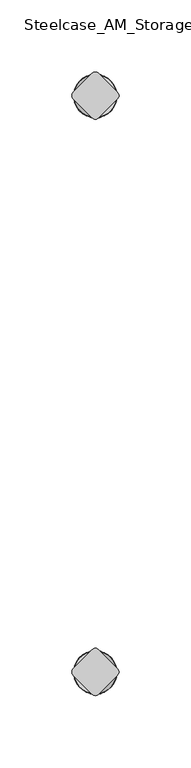
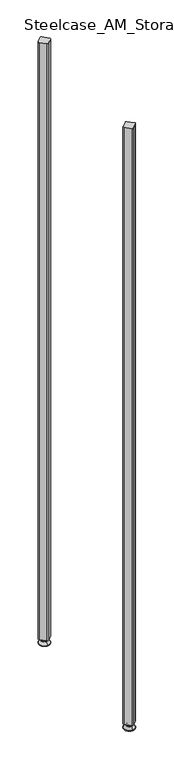
"""IFC4 building model written with IfcOpenShell, lengths in millimetres: furniture geometry, Steelcase_AM_Storage_FlexActiveFrames_FrameExtension : 4 High."""

from ifc_helpers import new_model, si_unit, point, frame, frame_2d, origin, place, context, project, spatial, polyline, circle_curve, ellipse_curve, trimmed, segment, composite_curve, outline, extrude, source, transform, mapped, element, save
from ifc_brep_helpers import plane_surface, cylinder_surface, revolved_surface, advanced_brep


def steelcase_am_storage_flexactiveframes_frameextension_4_high_68627809(model_context):
    return source(origin(), model_context, "Body", "SolidModel", [
        advanced_brep(
        [(800.1, 3.999659, 15.9766), (800.1, -3.999659, 15.9766), (800.1, 0.0, 15.9766), (800.1, 3.999659, 12.6000054), (800.1, -3.999659, 12.6000054), (800.1, 5.8601455, 12.6000054), (800.1, -5.8601455, 12.6000054), (800.1, 6.4951462, 11.9650074), (800.1, -6.4951462, 11.9650074), (800.1, 6.4951462, 9.0000124), (800.1, -6.4951462, 9.0000124), (800.1, 8.7421976, 9.0000124), (800.1, -8.7421976, 9.0000124), (800.1, 14.7060077, 2.3275608), (800.1, -14.7060077, 2.3275608), (800.1, 13.664601, 0.0), (800.1, -13.664601, 0.0), (800.1, 0.0, 0.0)],
        [
            (0, 1, circle_curve(frame((800.1, 0.0, 15.9766), z_axis=(0.0, 0.0, 1.0), x_axis=(0.0, -1.0, 0.0)), 3.999659)),
            (1, 2),
            (2, 0),
            (1, 0, circle_curve(frame((800.1, 0.0, 15.9766), z_axis=(0.0, 0.0, 1.0), x_axis=(0.0, -1.0, 0.0)), 3.999659)),
            (3, 4, circle_curve(frame((800.1, 0.0, 12.6000054), z_axis=(0.0, 0.0, 1.0), x_axis=(0.0, -1.0, 0.0)), 3.999659)),
            (4, 1),
            (0, 3),
            (4, 3, circle_curve(frame((800.1, 0.0, 12.6000054), z_axis=(0.0, 0.0, 1.0), x_axis=(0.0, -1.0, 0.0)), 3.999659)),
            (5, 6, circle_curve(frame((800.1, 0.0, 12.6000054), z_axis=(0.0, 0.0, 1.0), x_axis=(0.0, -1.0, 0.0)), 5.8601455)),
            (6, 4),
            (3, 5),
            (6, 5, circle_curve(frame((800.1, 0.0, 12.6000054), z_axis=(0.0, 0.0, 1.0), x_axis=(0.0, -1.0, 0.0)), 5.8601455)),
            (7, 8, circle_curve(frame((800.1, 0.0, 11.9650074), z_axis=(0.0, 0.0, 1.0), x_axis=(0.0, -1.0, 0.0)), 6.4951462)),
            (8, 6, circle_curve(frame((800.1, -5.8601462, 11.9650074), z_axis=(-1.0, 0.0, 0.0), x_axis=(0.0, -1.0, 0.0)), 0.635)),
            (5, 7, circle_curve(frame((800.1, 5.8601462, 11.9650074), z_axis=(-1.0, 0.0, 0.0), x_axis=(0.0, 1.0, 0.0)), 0.635)),
            (8, 7, circle_curve(frame((800.1, 0.0, 11.9650074), z_axis=(0.0, 0.0, 1.0), x_axis=(0.0, -1.0, 0.0)), 6.4951462)),
            (9, 10, circle_curve(frame((800.1, 0.0, 9.0000124), z_axis=(0.0, 0.0, 1.0), x_axis=(0.0, -1.0, 0.0)), 6.4951462)),
            (10, 8),
            (7, 9),
            (10, 9, circle_curve(frame((800.1, 0.0, 9.0000124), z_axis=(0.0, 0.0, 1.0), x_axis=(0.0, -1.0, 0.0)), 6.4951462)),
            (11, 12, circle_curve(frame((800.1, 0.0, 9.0000124), z_axis=(0.0, 0.0, 1.0), x_axis=(0.0, -1.0, 0.0)), 8.7421976)),
            (12, 10),
            (9, 11),
            (12, 11, circle_curve(frame((800.1, 0.0, 9.0000124), z_axis=(0.0, 0.0, 1.0), x_axis=(0.0, -1.0, 0.0)), 8.7421976)),
            (13, 14, circle_curve(frame((800.1, 0.0, 2.3275608), z_axis=(0.0, 0.0, 1.0), x_axis=(0.0, -1.0, 0.0)), 14.7060077)),
            (14, 12),
            (11, 13),
            (14, 13, circle_curve(frame((800.1, 0.0, 2.3275608), z_axis=(0.0, 0.0, 1.0), x_axis=(0.0, -1.0, 0.0)), 14.7060077)),
            (15, 16, circle_curve(frame((800.1, 0.0, 0.0), z_axis=(0.0, 0.0, 1.0), x_axis=(0.0, -1.0, 0.0)), 13.664601)),
            (16, 14, circle_curve(frame((800.1, -13.664601, 1.3967556), z_axis=(-1.0, 0.0, 0.0), x_axis=(0.0, -1.0, 0.0)), 1.3967556)),
            (13, 15, circle_curve(frame((800.1, 13.664601, 1.3967556), z_axis=(-1.0, 0.0, 0.0), x_axis=(0.0, 1.0, 0.0)), 1.3967556)),
            (16, 15, circle_curve(frame((800.1, 0.0, 0.0), z_axis=(0.0, 0.0, 1.0), x_axis=(0.0, -1.0, 0.0)), 13.664601)),
            (17, 16),
            (15, 17),
        ],
        [
            plane_surface(frame((800.1, 0.0, 15.9766), z_axis=(0.0, 0.0, 1.0), x_axis=(0.0, -1.0, 0.0))),
            cylinder_surface(frame((800.1, 0.0, -4.132372), z_axis=(0.0, 0.0, -1.0), x_axis=(0.0, -1.0, 0.0)), 3.999659),
            plane_surface(frame((800.1, 0.0, 12.6000054), z_axis=(0.0, 0.0, 1.0), x_axis=(0.0, -1.0, 0.0))),
            revolved_surface(trimmed(ellipse_curve(frame((800.1, -5.8601462, 11.9650074), z_axis=(1.0, 0.0, 0.0), x_axis=(0.0, -1.0, 0.0)), 0.635, 0.635), [point((800.1, -5.8601455, 12.6000074))], [point((800.1, -6.4951462, 11.9650074))], True, "CARTESIAN"), (800.1, 0.0, -4.132372), (0.0, 0.0, -1.0)),
            cylinder_surface(frame((800.1, 0.0, -4.132372), z_axis=(0.0, 0.0, -1.0), x_axis=(0.0, -1.0, 0.0)), 6.4951462),
            plane_surface(frame((800.1, 0.0, 9.0000124), z_axis=(0.0, 0.0, 1.0), x_axis=(0.0, -1.0, 0.0))),
            revolved_surface(polyline([(800.1, -8.7421976, 9.0000124), (800.1, -14.7060077, 2.3275608)]), (800.1, 0.0, -4.132372), (0.0, 0.0, -1.0)),
            revolved_surface(trimmed(ellipse_curve(frame((800.1, -13.664601, 1.3967556), z_axis=(1.0, 0.0, 0.0), x_axis=(0.0, -1.0, 0.0)), 1.3967556, 1.3967556), [point((800.1, -14.7060077, 2.3275608))], [point((800.1, -13.664601, 0.0))], True, "CARTESIAN"), (800.1, 0.0, -4.132372), (0.0, 0.0, -1.0)),
            plane_surface(frame((800.1, 0.0, 0.0), z_axis=(0.0, 0.0, -1.0), x_axis=(0.0, -1.0, 0.0))),
        ],
        [
            (0, [[1, 2, 3]]),
            (0, [[4, -3, -2]]),
            (1, [[5, 6, -1, 7]]),
            (1, [[8, -7, -4, -6]]),
            (2, [[9, 10, -5, 11]]),
            (2, [[12, -11, -8, -10]]),
            (3, [[13, 14, -9, 15]]),
            (3, [[16, -15, -12, -14]]),
            (4, [[17, 18, -13, 19]]),
            (4, [[20, -19, -16, -18]]),
            (5, [[21, 22, -17, 23]]),
            (5, [[24, -23, -20, -22]]),
            (6, [[25, 26, -21, 27]]),
            (6, [[28, -27, -24, -26]]),
            (7, [[29, 30, -25, 31]]),
            (7, [[32, -31, -28, -30]]),
            (8, [[33, -29, 34]]),
            (8, [[-34, -32, -33]]),
        ],
    ),
        advanced_brep(
        [(800.1, -400.05, 15.9766), (800.1, -396.050341, 15.9766), (800.1, -404.049659, 15.9766), (800.1, -396.050341, 12.6000054), (800.1, -404.049659, 12.6000054), (800.1, -394.1898545, 12.6000074), (800.1, -405.9101455, 12.6000074), (800.1, -393.5548538, 11.9650074), (800.1, -406.5451462, 11.9650074), (800.1, -393.5548538, 9.0000124), (800.1, -406.5451462, 9.0000124), (800.1, -391.3078024, 9.0000124), (800.1, -408.7921976, 9.0000124), (800.1, -385.3439923, 2.3275608), (800.1, -414.7560077, 2.3275608), (800.1, -386.385399, 0.0), (800.1, -413.714601, 0.0), (800.1, -400.05, 0.0)],
        [
            (0, 1),
            (1, 2, circle_curve(frame((800.1, -400.05, 15.9766), z_axis=(0.0, 0.0, 1.0), x_axis=(0.0, 1.0, 0.0)), 3.999659)),
            (2, 0),
            (2, 1, circle_curve(frame((800.1, -400.05, 15.9766), z_axis=(0.0, 0.0, 1.0), x_axis=(0.0, 1.0, 0.0)), 3.999659)),
            (1, 3),
            (3, 4, circle_curve(frame((800.1, -400.05, 12.6000054), z_axis=(0.0, 0.0, 1.0), x_axis=(0.0, 1.0, 0.0)), 3.999659)),
            (4, 2),
            (4, 3, circle_curve(frame((800.1, -400.05, 12.6000054), z_axis=(0.0, 0.0, 1.0), x_axis=(0.0, 1.0, 0.0)), 3.999659)),
            (3, 5),
            (5, 6, circle_curve(frame((800.1, -400.05, 12.6000074), z_axis=(0.0, 0.0, 1.0), x_axis=(0.0, 1.0, 0.0)), 5.8601455)),
            (6, 4),
            (6, 5, circle_curve(frame((800.1, -400.05, 12.6000074), z_axis=(0.0, 0.0, 1.0), x_axis=(0.0, 1.0, 0.0)), 5.8601455)),
            (5, 7, circle_curve(frame((800.1, -394.1898538, 11.9650074), z_axis=(-1.0, 0.0, 0.0), x_axis=(0.0, 1.0, 0.0)), 0.635)),
            (7, 8, circle_curve(frame((800.1, -400.05, 11.9650074), z_axis=(0.0, 0.0, 1.0), x_axis=(0.0, 1.0, 0.0)), 6.4951462)),
            (8, 6, circle_curve(frame((800.1, -405.9101462, 11.9650074), z_axis=(-1.0, 0.0, 0.0), x_axis=(0.0, -1.0, 0.0)), 0.635)),
            (8, 7, circle_curve(frame((800.1, -400.05, 11.9650074), z_axis=(0.0, 0.0, 1.0), x_axis=(0.0, 1.0, 0.0)), 6.4951462)),
            (7, 9),
            (9, 10, circle_curve(frame((800.1, -400.05, 9.0000124), z_axis=(0.0, 0.0, 1.0), x_axis=(0.0, 1.0, 0.0)), 6.4951462)),
            (10, 8),
            (10, 9, circle_curve(frame((800.1, -400.05, 9.0000124), z_axis=(0.0, 0.0, 1.0), x_axis=(0.0, 1.0, 0.0)), 6.4951462)),
            (9, 11),
            (11, 12, circle_curve(frame((800.1, -400.05, 9.0000124), z_axis=(0.0, 0.0, 1.0), x_axis=(0.0, 1.0, 0.0)), 8.7421976)),
            (12, 10),
            (12, 11, circle_curve(frame((800.1, -400.05, 9.0000124), z_axis=(0.0, 0.0, 1.0), x_axis=(0.0, 1.0, 0.0)), 8.7421976)),
            (11, 13),
            (13, 14, circle_curve(frame((800.1, -400.05, 2.3275608), z_axis=(0.0, 0.0, 1.0), x_axis=(0.0, 1.0, 0.0)), 14.7060077)),
            (14, 12),
            (14, 13, circle_curve(frame((800.1, -400.05, 2.3275608), z_axis=(0.0, 0.0, 1.0), x_axis=(0.0, 1.0, 0.0)), 14.7060077)),
            (13, 15, circle_curve(frame((800.1, -386.385399, 1.3967556), z_axis=(-1.0, 0.0, 0.0), x_axis=(0.0, 1.0, 0.0)), 1.3967556)),
            (15, 16, circle_curve(frame((800.1, -400.05, 0.0), z_axis=(0.0, 0.0, 1.0), x_axis=(0.0, 1.0, 0.0)), 13.664601)),
            (16, 14, circle_curve(frame((800.1, -413.714601, 1.3967556), z_axis=(-1.0, 0.0, 0.0), x_axis=(0.0, -1.0, 0.0)), 1.3967556)),
            (16, 15, circle_curve(frame((800.1, -400.05, 0.0), z_axis=(0.0, 0.0, 1.0), x_axis=(0.0, 1.0, 0.0)), 13.664601)),
            (15, 17),
            (17, 16),
        ],
        [
            plane_surface(frame((800.1, -400.05, 15.9766), z_axis=(0.0, 0.0, 1.0), x_axis=(0.0, 1.0, 0.0))),
            cylinder_surface(frame((800.1, -400.05, -4.132372), z_axis=(0.0, 0.0, 1.0), x_axis=(0.0, 1.0, 0.0)), 3.999659),
            plane_surface(frame((800.1, -400.05, 12.6000074), z_axis=(0.0, 0.0, 1.0), x_axis=(0.0, 1.0, 0.0))),
            revolved_surface(trimmed(ellipse_curve(frame((800.1, -394.1898538, 11.9650074), z_axis=(1.0, 0.0, 0.0), x_axis=(0.0, 1.0, 0.0)), 0.635, 0.635), [point((800.1, -393.5548538, 11.9650074))], [point((800.1, -394.1898545, 12.6000074))], True, "CARTESIAN"), (800.1, -400.05, -4.132372), (0.0, 0.0, 1.0)),
            cylinder_surface(frame((800.1, -400.05, -4.132372), z_axis=(0.0, 0.0, 1.0), x_axis=(0.0, 1.0, 0.0)), 6.4951462),
            plane_surface(frame((800.1, -400.05, 9.0000124), z_axis=(0.0, 0.0, 1.0), x_axis=(0.0, 1.0, 0.0))),
            revolved_surface(polyline([(800.1, -385.3439923, 2.3275608), (800.1, -391.3078024, 9.0000124)]), (800.1, -400.05, -4.132372), (0.0, 0.0, 1.0)),
            revolved_surface(trimmed(ellipse_curve(frame((800.1, -386.385399, 1.3967556), z_axis=(1.0, 0.0, 0.0), x_axis=(0.0, 1.0, 0.0)), 1.3967556, 1.3967556), [point((800.1, -386.385399, 0.0))], [point((800.1, -385.3439923, 2.3275608))], True, "CARTESIAN"), (800.1, -400.05, -4.132372), (0.0, 0.0, 1.0)),
            plane_surface(frame((800.1, -400.05, 0.0), z_axis=(0.0, 0.0, -1.0), x_axis=(0.0, 1.0, 0.0))),
        ],
        [
            (0, [[1, 2, 3]]),
            (0, [[-3, 4, -1]]),
            (1, [[-2, 5, 6, 7]]),
            (1, [[-4, -7, 8, -5]]),
            (2, [[-6, 9, 10, 11]]),
            (2, [[-8, -11, 12, -9]]),
            (3, [[-10, 13, 14, 15]]),
            (3, [[-12, -15, 16, -13]]),
            (4, [[-14, 17, 18, 19]]),
            (4, [[-16, -19, 20, -17]]),
            (5, [[-18, 21, 22, 23]]),
            (5, [[-20, -23, 24, -21]]),
            (6, [[-22, 25, 26, 27]]),
            (6, [[-24, -27, 28, -25]]),
            (7, [[-26, 29, 30, 31]]),
            (7, [[-28, -31, 32, -29]]),
            (8, [[-30, 33, 34]]),
            (8, [[-32, -34, -33]]),
        ],
    ),
        extrude(outline(composite_curve([segment(trimmed(circle_curve(frame_2d((800.1, -13.1875415)), 3.175), [point((802.345064, -15.4326055))], [point((797.854936, -15.4326055))], False, "CARTESIAN"), True, "CONTINUOUS"), segment(polyline([(797.854936, -15.4326055), (784.6673945, -2.245064)]), True, "CONTINUOUS"), segment(trimmed(circle_curve(frame_2d((786.9124585, 0.0)), 3.175), [point((784.6673945, -2.245064))], [point((784.6673945, 2.245064))], False, "CARTESIAN"), True, "CONTINUOUS"), segment(polyline([(784.6673945, 2.245064), (797.854936, 15.4326055)]), True, "CONTINUOUS"), segment(trimmed(circle_curve(frame_2d((800.1, 13.1875415)), 3.175), [point((797.854936, 15.4326055))], [point((802.345064, 15.4326055))], False, "CARTESIAN"), True, "CONTINUOUS"), segment(polyline([(802.345064, 15.4326055), (815.5326055, 2.245064)]), True, "CONTINUOUS"), segment(trimmed(circle_curve(frame_2d((813.2875415, 0.0)), 3.175), [point((815.5326055, 2.245064))], [point((815.5326055, -2.245064))], False, "CARTESIAN"), True, "CONTINUOUS"), segment(polyline([(815.5326055, -2.245064), (802.345064, -15.4326055)]), True, "CONTINUOUS")], self_intersect=False)), frame((0.0, 0.0, 15.9766), z_axis=(0.0, 0.0, 1.0), x_axis=(1.0, 0.0, 0.0)), (0.0, 0.0, 1.0), 1709.9534),
        extrude(outline(composite_curve([segment(polyline([(802.345064, -384.6173945), (815.5326055, -397.804936)]), True, "CONTINUOUS"), segment(trimmed(circle_curve(frame_2d((813.2875415, -400.05)), 3.175), [point((815.5326055, -397.804936))], [point((815.5326055, -402.295064))], False, "CARTESIAN"), True, "CONTINUOUS"), segment(polyline([(815.5326055, -402.295064), (802.345064, -415.4826055)]), True, "CONTINUOUS"), segment(trimmed(circle_curve(frame_2d((800.1, -413.2375415)), 3.175), [point((802.345064, -415.4826055))], [point((797.854936, -415.4826055))], False, "CARTESIAN"), True, "CONTINUOUS"), segment(polyline([(797.854936, -415.4826055), (784.6673945, -402.295064)]), True, "CONTINUOUS"), segment(trimmed(circle_curve(frame_2d((786.9124585, -400.05)), 3.175), [point((784.6673945, -402.295064))], [point((784.6673945, -397.804936))], False, "CARTESIAN"), True, "CONTINUOUS"), segment(polyline([(784.6673945, -397.804936), (797.854936, -384.6173945)]), True, "CONTINUOUS"), segment(trimmed(circle_curve(frame_2d((800.1, -386.8624585)), 3.175), [point((797.854936, -384.6173945))], [point((802.345064, -384.6173945))], False, "CARTESIAN"), True, "CONTINUOUS")], self_intersect=False)), frame((0.0, 0.0, 15.9766), z_axis=(0.0, 0.0, 1.0), x_axis=(1.0, 0.0, 0.0)), (0.0, 0.0, 1.0), 1709.9534),
    ])


if __name__ == "__main__":
    model = new_model("IFC4")
    model_context = context("Model", 3, world=origin())
    ifc_project = project(units=[si_unit("LENGTHUNIT", "METRE", prefix="MILLI")], contexts=[model_context])
    site = spatial("IfcSite", under=ifc_project)
    building = spatial("IfcBuilding", under=site)
    placement = place(None, origin())
    steelcase_am_storage_flexactiveframes_frameextension_4_high_shape = steelcase_am_storage_flexactiveframes_frameextension_4_high_68627809(model_context)
    element("IfcFurniture", 1, ObjectType="Steelcase_AM_Storage_FlexActiveFrames_FrameExtension : 4 High", at=placement, inside=building, context=model_context, shape_type="MappedRepresentation", body=[
        mapped(steelcase_am_storage_flexactiveframes_frameextension_4_high_shape, transform((0.0, 0.0, 0.0), x_axis=(1.0, 0.0, 0.0), y_axis=(0.0, 1.0, 0.0), z_axis=(0.0, 0.0, 1.0))),
    ])
    save(model, "model.ifc")
